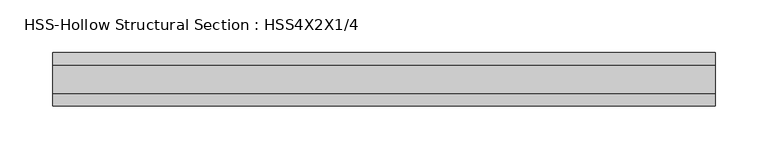
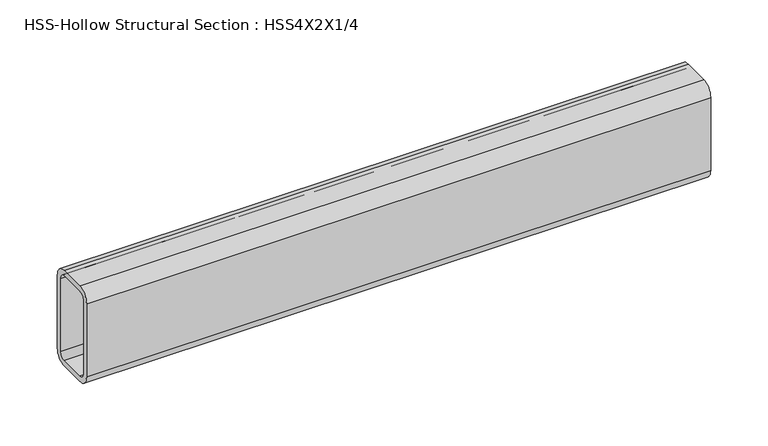
"""IFC4 building model written with IfcOpenShell, lengths in millimetres: beam geometry, HSS-Hollow Structural Section : HSS4X2X1/4."""

from ifc_helpers import new_model, si_unit, point, frame, frame_2d, origin, place, context, project, spatial, polyline, circle_curve, trimmed, segment, composite_curve, outline, extrude, source, transform, mapped, element, save


def hss_hollow_structural_section_hss4x2x1_4_f2114938(model_context):
    return source(origin(), model_context, "Body", "SweptSolid", [
        extrude(outline(composite_curve([segment(polyline([(25.4, 38.9636), (25.4, -38.9636)]), True, "CONTINUOUS"), segment(trimmed(circle_curve(frame_2d((13.5636, -38.9636)), 11.8364), [point((25.4, -38.9636))], [point((13.5636, -50.8))], False, "CARTESIAN"), True, "CONTINUOUS"), segment(polyline([(13.5636, -50.8), (-13.5636, -50.8)]), True, "CONTINUOUS"), segment(trimmed(circle_curve(frame_2d((-13.5636, -38.9636)), 11.8364), [point((-13.5636, -50.8))], [point((-25.4, -38.9636))], False, "CARTESIAN"), True, "CONTINUOUS"), segment(polyline([(-25.4, -38.9636), (-25.4, 38.9636)]), True, "CONTINUOUS"), segment(trimmed(circle_curve(frame_2d((-13.5636, 38.9636)), 11.8364), [point((-25.4, 38.9636))], [point((-13.5636, 50.8))], False, "CARTESIAN"), True, "CONTINUOUS"), segment(polyline([(-13.5636, 50.8), (13.5636, 50.8)]), True, "CONTINUOUS"), segment(trimmed(circle_curve(frame_2d((13.5636, 38.9636)), 11.8364), [point((13.5636, 50.8))], [point((25.4, 38.9636))], False, "CARTESIAN"), True, "CONTINUOUS")], self_intersect=False), holes=[composite_curve([segment(trimmed(circle_curve(frame_2d((-13.5636, 38.9636)), 5.9182), [point((-13.5636, 44.8818))], [point((-19.4818, 38.9636))], True, "CARTESIAN"), True, "CONTINUOUS"), segment(polyline([(-19.4818, 38.9636), (-19.4818, -38.9636)]), True, "CONTINUOUS"), segment(trimmed(circle_curve(frame_2d((-13.5636, -38.9636)), 5.9182), [point((-19.4818, -38.9636))], [point((-13.5636, -44.8818))], True, "CARTESIAN"), True, "CONTINUOUS"), segment(polyline([(-13.5636, -44.8818), (13.5636, -44.8818)]), True, "CONTINUOUS"), segment(trimmed(circle_curve(frame_2d((13.5636, -38.9636)), 5.9182), [point((13.5636, -44.8818))], [point((19.4818, -38.9636))], True, "CARTESIAN"), True, "CONTINUOUS"), segment(polyline([(19.4818, -38.9636), (19.4818, 38.9636)]), True, "CONTINUOUS"), segment(trimmed(circle_curve(frame_2d((13.5636, 38.9636)), 5.9182), [point((19.4818, 38.9636))], [point((13.5636, 44.8818))], True, "CARTESIAN"), True, "CONTINUOUS"), segment(polyline([(13.5636, 44.8818), (-13.5636, 44.8818)]), True, "CONTINUOUS")], self_intersect=False)]), frame((-314.32246, 0.0, 0.0), z_axis=(1.0, 0.0, 0.0), x_axis=(0.0, 1.0, 0.0)), (0.0, 0.0, 1.0), 627.37492),
    ])


if __name__ == "__main__":
    model = new_model("IFC4")
    model_context = context("Model", 3, world=origin())
    ifc_project = project(units=[si_unit("LENGTHUNIT", "METRE", prefix="MILLI")], contexts=[model_context])
    site = spatial("IfcSite", under=ifc_project)
    building = spatial("IfcBuilding", under=site)
    placement = place(None, origin())
    hss_hollow_structural_section_hss4x2x1_4_shape = hss_hollow_structural_section_hss4x2x1_4_f2114938(model_context)
    element("IfcBeam", 1, ObjectType="HSS-Hollow Structural Section : HSS4X2X1/4", at=placement, inside=building, context=model_context, shape_type="MappedRepresentation", body=[
        mapped(hss_hollow_structural_section_hss4x2x1_4_shape, transform((0.0, 0.0, 0.0), x_axis=(1.0, 0.0, 0.0), y_axis=(0.0, 1.0, 0.0), z_axis=(0.0, 0.0, 1.0))),
    ])
    save(model, "model.ifc")
